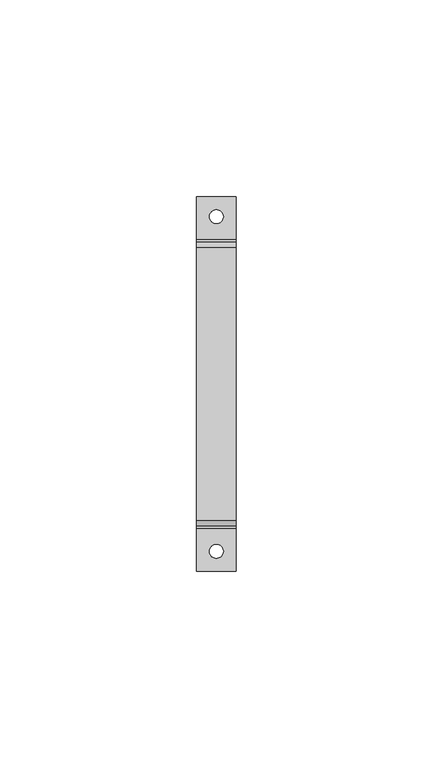
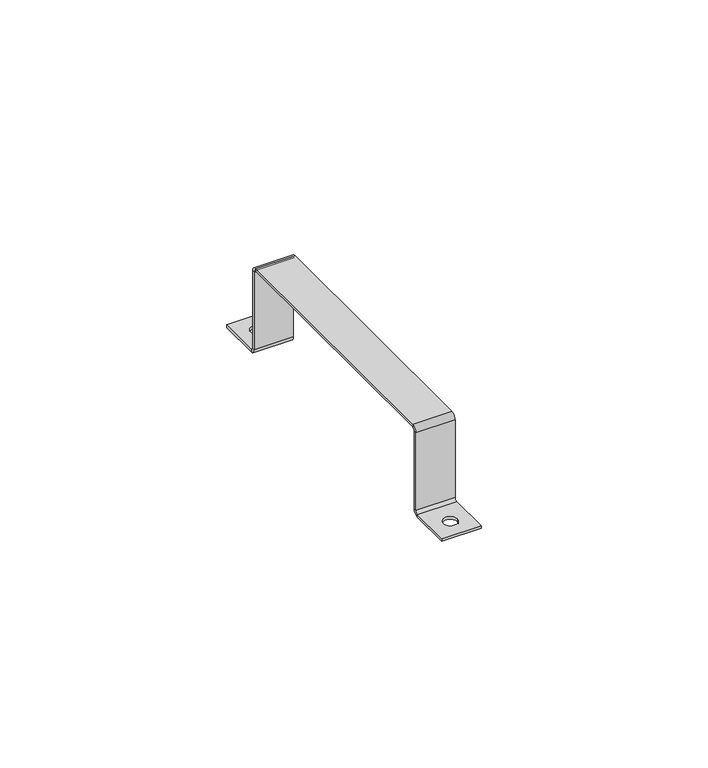
"""IFC4 building model written with IfcOpenShell, lengths in millimetres: proxy geometry."""

from ifc_helpers import new_model, si_unit, frame, origin, place, context, project, spatial, polyline, circle_curve, source, transform, mapped, element, save
from ifc_brep_helpers import plane_surface, cylinder_surface, revolved_surface, advanced_brep


def generic_models_3a1455a1(model_context):
    return source(origin(), model_context, "Body", "AdvancedBrep", [
        advanced_brep(
        [(-1.75, 42.5, 0.0), (-1.75, 42.5, -0.7), (1.75, 42.5, -0.7), (1.75, 42.5, 0.0), (-1.75, -42.5, 0.0), (-1.75, -42.5, -0.7), (1.75, -42.5, -0.7), (1.75, -42.5, 0.0), (-5.0, 36.7, -0.7), (-5.0, 36.7, 0.0), (-5.0, 47.5, 0.0), (-5.0, 47.5, -0.7), (5.0, 36.7, -0.7), (5.0, 35.3, 0.7), (-5.0, 35.3, 0.7), (5.0, 36.7, 0.0), (5.0, 47.5, 0.0), (5.0, 36.0, 0.7), (5.0, 47.5, -0.7), (-5.0, 36.0, 0.7), (-5.0, 36.0, 21.6), (5.0, 36.0, 21.6), (-5.0, 35.3, 21.6), (5.0, 35.3, 21.6), (5.0, 34.6, 22.3), (-5.0, 34.6, 22.3), (5.0, 34.6, 23.0), (-5.0, 34.6, 23.0), (-5.0, -34.6, 23.0), (5.0, -34.6, 23.0), (-5.0, -34.6, 22.3), (5.0, -34.6, 22.3), (5.0, -35.3, 21.6), (-5.0, -35.3, 21.6), (5.0, -36.0, 21.6), (-5.0, -36.0, 21.6), (-5.0, -36.0, 0.7), (5.0, -36.0, 0.7), (-5.0, -35.3, 0.7), (5.0, -35.3, 0.7), (5.0, -36.7, -0.7), (-5.0, -36.7, -0.7), (5.0, -36.7, 0.0), (-5.0, -36.7, 0.0), (-5.0, -47.5, 0.0), (5.0, -47.5, 0.0), (-5.0, -47.5, -0.7), (5.0, -47.5, -0.7)],
        [
            (0, 1),
            (1, 2, circle_curve(frame((0.0, 42.5, -0.7), z_axis=(0.0, 0.0, -1.0), x_axis=(-1.0, 0.0, 0.0)), 1.75)),
            (2, 3),
            (3, 0, circle_curve(frame((0.0, 42.5, 0.0), z_axis=(0.0, 0.0, 1.0), x_axis=(-1.0, 0.0, 0.0)), 1.75)),
            (4, 5),
            (5, 6, circle_curve(frame((0.0, -42.5, -0.7), z_axis=(0.0, 0.0, -1.0), x_axis=(-1.0, 0.0, 0.0)), 1.75)),
            (6, 7),
            (7, 4, circle_curve(frame((0.0, -42.5, 0.0), z_axis=(0.0, 0.0, 1.0), x_axis=(-1.0, 0.0, 0.0)), 1.75)),
            (4, 7, circle_curve(frame((0.0, -42.5, 0.0), z_axis=(0.0, 0.0, 1.0), x_axis=(-1.0, 0.0, 0.0)), 1.75)),
            (6, 5, circle_curve(frame((0.0, -42.5, -0.7), z_axis=(0.0, 0.0, -1.0), x_axis=(-1.0, 0.0, 0.0)), 1.75)),
            (0, 3, circle_curve(frame((0.0, 42.5, 0.0), z_axis=(0.0, 0.0, 1.0), x_axis=(-1.0, 0.0, 0.0)), 1.75)),
            (2, 1, circle_curve(frame((0.0, 42.5, -0.7), z_axis=(0.0, 0.0, -1.0), x_axis=(-1.0, 0.0, 0.0)), 1.75)),
            (8, 9),
            (9, 10),
            (10, 11),
            (11, 8),
            (8, 12),
            (12, 13, circle_curve(frame((5.0, 36.7, 0.7), z_axis=(-1.0, 0.0, 0.0), x_axis=(0.0, -1.0, 0.0)), 1.4)),
            (13, 14),
            (14, 8, circle_curve(frame((-5.0, 36.7, 0.7), z_axis=(1.0, 0.0, 0.0), x_axis=(0.0, -1.0, 0.0)), 1.4)),
            (9, 15),
            (15, 16),
            (16, 10),
            (12, 15),
            (15, 17, circle_curve(frame((5.0, 36.7, 0.7), z_axis=(-1.0, 0.0, 0.0), x_axis=(0.0, -1.0, 0.0)), 0.7)),
            (17, 13),
            (12, 18),
            (18, 16),
            (17, 19),
            (19, 20),
            (20, 21),
            (21, 17),
            (11, 18),
            (19, 14),
            (14, 22),
            (22, 20),
            (19, 9, circle_curve(frame((-5.0, 36.7, 0.7), z_axis=(1.0, 0.0, 0.0), x_axis=(0.0, -1.0, 0.0)), 0.7)),
            (22, 23),
            (23, 24, circle_curve(frame((5.0, 34.6, 21.6), z_axis=(1.0, 0.0, 0.0), x_axis=(0.0, 0.0, 1.0)), 0.7)),
            (24, 25),
            (25, 22, circle_curve(frame((-5.0, 34.6, 21.6), z_axis=(-1.0, 0.0, 0.0), x_axis=(0.0, 0.0, 1.0)), 0.7)),
            (23, 21),
            (21, 26, circle_curve(frame((5.0, 34.6, 21.6), z_axis=(1.0, 0.0, 0.0), x_axis=(0.0, 0.0, 1.0)), 1.4)),
            (26, 24),
            (23, 13),
            (26, 27),
            (27, 28),
            (28, 29),
            (29, 26),
            (27, 25),
            (25, 30),
            (30, 28),
            (27, 20, circle_curve(frame((-5.0, 34.6, 21.6), z_axis=(-1.0, 0.0, 0.0), x_axis=(0.0, 0.0, 1.0)), 1.4)),
            (30, 31),
            (31, 32, circle_curve(frame((5.0, -34.6, 21.6), z_axis=(1.0, 0.0, 0.0), x_axis=(0.0, -1.0, 0.0)), 0.7)),
            (32, 33),
            (33, 30, circle_curve(frame((-5.0, -34.6, 21.6), z_axis=(-1.0, 0.0, 0.0), x_axis=(0.0, -1.0, 0.0)), 0.7)),
            (31, 29),
            (29, 34, circle_curve(frame((5.0, -34.6, 21.6), z_axis=(1.0, 0.0, 0.0), x_axis=(0.0, -1.0, 0.0)), 1.4)),
            (34, 32),
            (31, 24),
            (34, 35),
            (35, 36),
            (36, 37),
            (37, 34),
            (35, 33),
            (33, 38),
            (38, 36),
            (35, 28, circle_curve(frame((-5.0, -34.6, 21.6), z_axis=(-1.0, 0.0, 0.0), x_axis=(0.0, -1.0, 0.0)), 1.4)),
            (38, 39),
            (39, 40, circle_curve(frame((5.0, -36.7, 0.7), z_axis=(-1.0, 0.0, 0.0), x_axis=(0.0, 0.0, -1.0)), 1.4)),
            (40, 41),
            (41, 38, circle_curve(frame((-5.0, -36.7, 0.7), z_axis=(1.0, 0.0, 0.0), x_axis=(0.0, 0.0, -1.0)), 1.4)),
            (39, 37),
            (37, 42, circle_curve(frame((5.0, -36.7, 0.7), z_axis=(-1.0, 0.0, 0.0), x_axis=(0.0, 0.0, -1.0)), 0.7)),
            (42, 40),
            (42, 43),
            (43, 44),
            (44, 45),
            (45, 42),
            (39, 32),
            (43, 41),
            (41, 46),
            (46, 44),
            (45, 47),
            (47, 40),
            (46, 47),
            (43, 36, circle_curve(frame((-5.0, -36.7, 0.7), z_axis=(1.0, 0.0, 0.0), x_axis=(0.0, 0.0, -1.0)), 0.7)),
        ],
        [
            revolved_surface(polyline([(-1.75, 42.5, -0.7), (-1.75, 42.5, 0.0)]), (0.0, 42.5, -0.35), (0.0, 0.0, -1.0)),
            revolved_surface(polyline([(-1.75, -42.5, -0.7), (-1.75, -42.5, 0.0)]), (0.0, -42.5, -0.35), (0.0, 0.0, -1.0)),
            plane_surface(frame((-5.0, 36.7, -0.7), z_axis=(-1.0, 0.0, 0.0), x_axis=(0.0, 0.0, 1.0))),
            cylinder_surface(frame((0.0, 36.7, 0.7), z_axis=(1.0, 0.0, 0.0), x_axis=(0.0, -1.0, 0.0)), 1.4),
            plane_surface(frame((0.0, -21.9667254, 0.0), z_axis=(0.0, 0.0, 1.0), x_axis=(1.0, 0.0, 0.0))),
            plane_surface(frame((5.0, 36.7, 0.0), z_axis=(1.0, 0.0, 0.0), x_axis=(0.0, 0.0, -1.0))),
            plane_surface(frame((5.0, -80.6334508, -0.7), z_axis=(1.0, 0.0, 0.0), x_axis=(0.0, 0.0, -1.0))),
            plane_surface(frame((0.0, 36.0, 57.7833627), z_axis=(0.0, 1.0, 0.0), x_axis=(1.0, 0.0, 0.0))),
            plane_surface(frame((0.0, -21.9667254, -0.7), z_axis=(0.0, 0.0, -1.0), x_axis=(1.0, 0.0, 0.0))),
            plane_surface(frame((-5.0, 35.3, -0.8833627), z_axis=(-1.0, 0.0, 0.0), x_axis=(0.0, 1.0, 0.0))),
            revolved_surface(polyline([(-5.0, 34.6, 22.3), (5.0, 34.6, 22.3)]), (0.0, 34.6, 21.6), (-1.0, 0.0, 0.0)),
            revolved_surface(polyline([(5.0, 36.0, 0.7), (-5.0, 36.0, 0.7)]), (0.0, 36.7, 0.7), (1.0, 0.0, 0.0)),
            plane_surface(frame((5.0, 36.0, 21.6), z_axis=(1.0, 0.0, 0.0), x_axis=(0.0, 0.0, -1.0))),
            plane_surface(frame((5.0, 35.3, 116.4500881), z_axis=(1.0, 0.0, 0.0), x_axis=(0.0, -1.0, 0.0))),
            plane_surface(frame((0.0, 0.0, 23.0), z_axis=(0.0, 0.0, 1.0), x_axis=(1.0, 0.0, 0.0))),
            plane_surface(frame((0.0, 35.3, 57.7833627), z_axis=(0.0, -1.0, 0.0), x_axis=(1.0, 0.0, 0.0))),
            plane_surface(frame((-5.0, 58.6667254, 22.3), z_axis=(-1.0, 0.0, 0.0), x_axis=(0.0, 0.0, 1.0))),
            plane_surface(frame((-5.0, 35.3, 21.6), z_axis=(-1.0, 0.0, 0.0), x_axis=(0.0, 0.0, 1.0))),
            revolved_surface(polyline([(-5.0, -35.300000000000004, 21.6), (5.0, -35.300000000000004, 21.6)]), (0.0, -34.6, 21.6), (-1.0, 0.0, 0.0)),
            cylinder_surface(frame((0.0, 34.6, 21.6), z_axis=(-1.0, 0.0, 0.0), x_axis=(0.0, 0.0, 1.0)), 1.4),
            plane_surface(frame((5.0, -34.6, 23.0), z_axis=(1.0, 0.0, 0.0), x_axis=(0.0, 0.0, -1.0))),
            plane_surface(frame((5.0, -58.6667254, 22.3), z_axis=(1.0, 0.0, 0.0), x_axis=(0.0, 0.0, -1.0))),
            plane_surface(frame((0.0, -36.0, 57.7833627), z_axis=(0.0, -1.0, 0.0), x_axis=(1.0, 0.0, 0.0))),
            plane_surface(frame((0.0, 0.0, 22.3), z_axis=(0.0, 0.0, -1.0), x_axis=(1.0, 0.0, 0.0))),
            plane_surface(frame((-5.0, -35.3, 116.4500881), z_axis=(-1.0, 0.0, 0.0), x_axis=(0.0, -1.0, 0.0))),
            plane_surface(frame((-5.0, -34.6, 22.3), z_axis=(-1.0, 0.0, 0.0), x_axis=(0.0, 0.0, 1.0))),
            cylinder_surface(frame((0.0, -36.7, 0.7), z_axis=(1.0, 0.0, 0.0), x_axis=(0.0, 0.0, -1.0)), 1.4),
            cylinder_surface(frame((0.0, -34.6, 21.6), z_axis=(-1.0, 0.0, 0.0), x_axis=(0.0, -1.0, 0.0)), 1.4),
            plane_surface(frame((5.0, -36.0, 0.7), z_axis=(1.0, 0.0, 0.0), x_axis=(0.0, 0.0, -1.0))),
            plane_surface(frame((0.0, 21.9667254, 0.0), z_axis=(0.0, 0.0, 1.0), x_axis=(1.0, 0.0, 0.0))),
            plane_surface(frame((5.0, -35.3, -0.8833627), z_axis=(1.0, 0.0, 0.0), x_axis=(0.0, 1.0, 0.0))),
            plane_surface(frame((0.0, -35.3, 57.7833627), z_axis=(0.0, 1.0, 0.0), x_axis=(1.0, 0.0, 0.0))),
            plane_surface(frame((-5.0, 80.6334508, -0.7), z_axis=(-1.0, 0.0, 0.0), x_axis=(0.0, 0.0, 1.0))),
            plane_surface(frame((5.0, -36.7, -0.7), z_axis=(1.0, 0.0, 0.0), x_axis=(0.0, 0.0, -1.0))),
            plane_surface(frame((5.0, -47.5, -0.7), z_axis=(0.0, -1.0, 0.0), x_axis=(0.0, 0.0, -1.0))),
            plane_surface(frame((-5.0, -35.3, 0.7), z_axis=(-1.0, 0.0, 0.0), x_axis=(0.0, 0.0, 1.0))),
            plane_surface(frame((-5.0, 47.5, -0.7), z_axis=(0.0, 1.0, 0.0), x_axis=(0.0, 0.0, 1.0))),
            revolved_surface(polyline([(5.0, -36.7, 0.0), (-5.0, -36.7, 0.0)]), (0.0, -36.7, 0.7), (1.0, 0.0, 0.0)),
            plane_surface(frame((0.0, 21.9667254, -0.7), z_axis=(0.0, 0.0, -1.0), x_axis=(1.0, 0.0, 0.0))),
        ],
        [
            (0, [[1, 2, 3, 4]]),
            (1, [[5, 6, 7, 8]]),
            (1, [[-5, 9, -7, 10]]),
            (0, [[-1, 11, -3, 12]]),
            (2, [[13, 14, 15, 16]]),
            (3, [[17, 18, 19, 20]]),
            (4, [[21, 22, 23, -14], [-4, -11]]),
            (5, [[24, 25, 26, -18]]),
            (6, [[-24, 27, 28, -22]]),
            (7, [[29, 30, 31, 32]]),
            (8, [[-17, -16, 33, -27], [-12, -2]]),
            (9, [[34, 35, 36, -30]]),
            (2, [[-13, -20, -34, 37]]),
            (10, [[38, 39, 40, 41]]),
            (11, [[-21, -37, -29, -25]]),
            (12, [[42, 43, 44, -39]]),
            (13, [[-26, -32, -42, 45]]),
            (14, [[46, 47, 48, 49]]),
            (15, [[-19, -45, -38, -35]]),
            (16, [[50, 51, 52, -47]]),
            (17, [[-36, -41, -50, 53]]),
            (18, [[54, 55, 56, 57]]),
            (19, [[-31, -53, -46, -43]]),
            (20, [[58, 59, 60, -55]]),
            (21, [[-44, -49, -58, 61]]),
            (22, [[62, 63, 64, 65]]),
            (23, [[-40, -61, -54, -51]]),
            (24, [[66, 67, 68, -63]]),
            (25, [[-52, -57, -66, 69]]),
            (26, [[70, 71, 72, 73]]),
            (27, [[-48, -69, -62, -59]]),
            (28, [[74, 75, 76, -71]]),
            (29, [[77, 78, 79, 80], [-8, -9]]),
            (30, [[-60, -65, -74, 81]]),
            (31, [[-56, -81, -70, -67]]),
            (32, [[82, 83, 84, -78]]),
            (33, [[-76, -80, 85, 86]]),
            (34, [[-79, -84, 87, -85]]),
            (35, [[-68, -73, -82, 88]]),
            (36, [[-23, -28, -33, -15]]),
            (37, [[-64, -88, -77, -75]]),
            (38, [[-72, -86, -87, -83], [-10, -6]]),
        ],
    ),
    ])


if __name__ == "__main__":
    model = new_model("IFC4")
    model_context = context("Model", 3, world=origin())
    ifc_project = project(units=[si_unit("LENGTHUNIT", "METRE", prefix="MILLI")], contexts=[model_context])
    site = spatial("IfcSite", under=ifc_project)
    building = spatial("IfcBuilding", under=site)
    placement = place(None, origin())
    generic_models_shape = generic_models_3a1455a1(model_context)
    element("IfcBuildingElementProxy", 1, Name="Generic Models", at=placement, inside=building, context=model_context, shape_type="MappedRepresentation", body=[
        mapped(generic_models_shape, transform((0.0, 0.0, 0.0), x_axis=(1.0, 0.0, 0.0), y_axis=(0.0, 1.0, 0.0), z_axis=(0.0, 0.0, 1.0))),
    ])
    save(model, "model.ifc")
